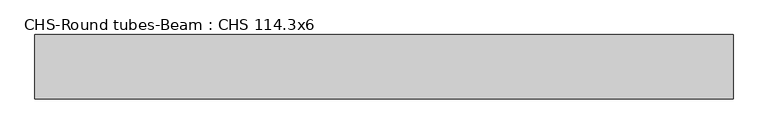
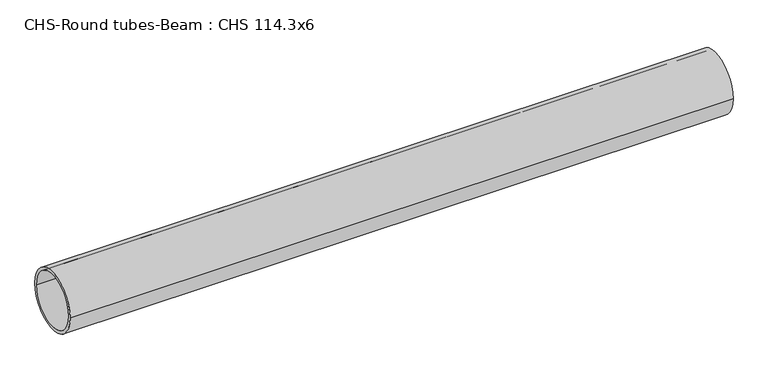
"""IFC4 building model written with IfcOpenShell, lengths in millimetres: beam geometry, CHS-Round tubes-Beam : CHS 114.3x6."""

from ifc_helpers import new_model, si_unit, point, frame, origin, origin_2d, place, context, project, spatial, circle_curve, trimmed, segment, composite_curve, outline, extrude, source, transform, mapped, element, save


def chs_round_tubes_beam_chs_114_3x6_facb56e2(model_context):
    return source(origin(), model_context, "Body", "SweptSolid", [
        extrude(outline(composite_curve([segment(trimmed(circle_curve(origin_2d(), 57.15), [point((57.15, 0.0))], [point((-57.15, 0.0))], False, "CARTESIAN"), True, "CONTINUOUS"), segment(trimmed(circle_curve(origin_2d(), 57.15), [point((-57.15, 0.0))], [point((57.15, 0.0))], False, "CARTESIAN"), True, "CONTINUOUS")], self_intersect=False), holes=[composite_curve([segment(trimmed(circle_curve(origin_2d(), 51.15), [point((51.15, 0.0))], [point((-51.15, 0.0))], True, "CARTESIAN"), True, "CONTINUOUS"), segment(trimmed(circle_curve(origin_2d(), 51.15), [point((-51.15, 0.0))], [point((51.15, 0.0))], True, "CARTESIAN"), True, "CONTINUOUS")], self_intersect=False)]), frame((-620.4574684, 0.0, 0.0), z_axis=(1.0, 0.0, 0.0), x_axis=(0.0, 1.0, 0.0)), (0.0, 0.0, 1.0), 1240.9175549),
    ])


if __name__ == "__main__":
    model = new_model("IFC4")
    model_context = context("Model", 3, world=origin())
    ifc_project = project(units=[si_unit("LENGTHUNIT", "METRE", prefix="MILLI")], contexts=[model_context])
    site = spatial("IfcSite", under=ifc_project)
    building = spatial("IfcBuilding", under=site)
    placement = place(None, origin())
    chs_round_tubes_beam_chs_114_3x6_shape = chs_round_tubes_beam_chs_114_3x6_facb56e2(model_context)
    element("IfcBeam", 1, ObjectType="CHS-Round tubes-Beam : CHS 114.3x6", at=placement, inside=building, context=model_context, shape_type="MappedRepresentation", body=[
        mapped(chs_round_tubes_beam_chs_114_3x6_shape, transform((0.0, 0.0, 0.0), x_axis=(1.0, 0.0, 0.0), y_axis=(0.0, 1.0, 0.0), z_axis=(0.0, 0.0, 1.0))),
    ])
    save(model, "model.ifc")
